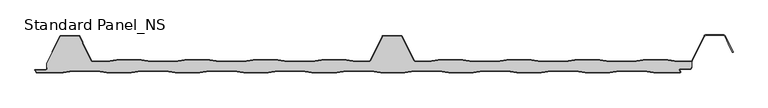
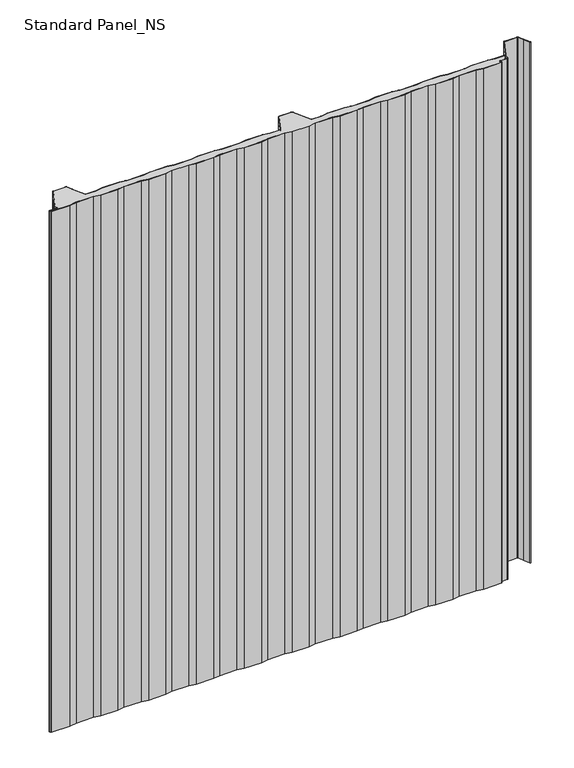
"""IFC4 building model written with IfcOpenShell, lengths in millimetres: proxy geometry, Standard Panel_NS."""

from ifc_helpers import new_model, si_unit, point, frame, frame_2d, origin, origin_with_axes, place, context, project, spatial, polyline, circle_curve, trimmed, segment, composite_curve, outline, extrude, source, transform, mapped, element, save
from ifc_brep_helpers import plane_surface, cylinder_surface, revolved_surface, advanced_brep


def standard_panel_ns_8ae36996(model_context):
    return source(origin(), model_context, "Body", "SolidModel", [
        advanced_brep(
        [(-464.8660923, 16.7, 1219.2), (-466.9237884, 17.9724364, 1219.2), (-480.4229673, 45.0045421, 1219.2), (-480.6503205, 45.7702853, 1219.2), (-480.840508, 47.4301555, 1219.2), (-485.0802057, 55.9201502, 1219.2), (-486.4221814, 56.75, 1219.2), (-513.5776371, 56.75, 1219.2), (-514.9196128, 55.9201502, 1219.2), (-535.7286766, 14.25, 1219.2), (-535.8382664, 8.130172, 1219.2), (-535.0382664, 8.130172, 1219.2), (-535.0382664, 6.2001721, 1219.2), (-537.2382661, 4.0001723, 1219.2), (-553.5680922, 4.0001723, 1219.2), (-551.4916498, 0.8, 1219.2), (-510.6394764, 0.8, 1219.2), (-495.6394764, 3.3, 1219.2), (-457.5070563, 3.3, 1219.2), (-442.5070563, 0.8, 1219.2), (-404.6394764, 0.8, 1219.2), (-389.6394764, 3.3, 1219.2), (-351.5070563, 3.3, 1219.2), (-336.5070563, 0.8, 1219.2), (-298.6394764, 0.8, 1219.2), (-283.6394764, 3.3, 1219.2), (-245.5070563, 3.3, 1219.2), (-230.5070563, 0.8, 1219.2), (-192.6394764, 0.8, 1219.2), (-177.6394764, 3.3, 1219.2), (-139.5070563, 3.3, 1219.2), (-124.5070563, 0.8, 1219.2), (-86.1394764, 0.8, 1219.2), (-71.1394764, 3.3, 1219.2), (-33.0070563, 3.3, 1219.2), (-18.0070563, 0.8, 1219.2), (19.3605236, 0.8, 1219.2), (34.3605236, 3.3, 1219.2), (72.4929437, 3.3, 1219.2), (87.4929437, 0.8, 1219.2), (125.3605236, 0.8, 1219.2), (140.3605236, 3.3, 1219.2), (178.4929437, 3.3, 1219.2), (193.4929437, 0.8, 1219.2), (231.3605236, 0.8, 1219.2), (246.3605236, 3.3, 1219.2), (284.4929437, 3.3, 1219.2), (299.4929437, 0.8, 1219.2), (337.3605236, 0.8, 1219.2), (352.3605236, 3.3, 1219.2), (390.4929437, 3.3, 1219.2), (405.4929437, 0.8, 1219.2), (446.6010518, 0.8, 1219.2), (444.965675, 3.3204106, 1219.2), (446.4756642, 6.1001721, 1219.2), (462.0617343, 6.1001721, 1219.2), (463.3617336, 7.4001714, 1219.2), (463.3617336, 9.4001722, 1219.2), (464.2, 9.4, 1219.2), (464.2327461, 17.1622719, 1219.2), (462.60413, 16.7, 1219.2), (442.3905918, 16.7, 1219.2), (427.5511987, 19.2, 1219.2), (389.4759874, 19.2, 1219.2), (374.6365943, 16.7, 1219.2), (336.3905918, 16.7, 1219.2), (321.5511987, 19.2, 1219.2), (283.4759874, 19.2, 1219.2), (268.6365943, 16.7, 1219.2), (230.3905918, 16.7, 1219.2), (215.5511987, 19.2, 1219.2), (177.4759874, 19.2, 1219.2), (162.6365943, 16.7, 1219.2), (124.3905918, 16.7, 1219.2), (109.5511987, 19.2, 1219.2), (71.4759874, 19.2, 1219.2), (56.6365943, 16.7, 1219.2), (36.4223629, 16.7, 1219.2), (33.6489464, 18.415023, 1219.2), (14.9197943, 55.9201502, 1219.2), (13.5778186, 56.75, 1219.2), (-13.5776371, 56.75, 1219.2), (-14.9196128, 55.9201502, 1219.2), (-33.648765, 18.415023, 1219.2), (-36.4221814, 16.7, 1219.2), (-56.6364129, 16.7, 1219.2), (-71.4758059, 19.2, 1219.2), (-109.5510173, 19.2, 1219.2), (-124.3904103, 16.7, 1219.2), (-162.6364129, 16.7, 1219.2), (-177.4758059, 19.2, 1219.2), (-215.5510173, 19.2, 1219.2), (-230.3904103, 16.7, 1219.2), (-268.6364129, 16.7, 1219.2), (-283.4758059, 19.2, 1219.2), (-321.5510173, 19.2, 1219.2), (-336.3904103, 16.7, 1219.2), (-374.6364129, 16.7, 1219.2), (-389.4758059, 19.2, 1219.2), (-427.5510173, 19.2, 1219.2), (-442.3904103, 16.7, 1219.2), (-464.8660923, 16.7, 0.0), (-442.3904103, 16.7, 0.0), (-427.5510173, 19.2, 0.0), (-389.4758059, 19.2, 0.0), (-374.6364129, 16.7, 0.0), (-336.3904103, 16.7, 0.0), (-321.5510173, 19.2, 0.0), (-283.4758059, 19.2, 0.0), (-268.6364129, 16.7, 0.0), (-230.3904103, 16.7, 0.0), (-215.5510173, 19.2, 0.0), (-177.4758059, 19.2, 0.0), (-162.6364129, 16.7, 0.0), (-124.3904103, 16.7, 0.0), (-109.5510173, 19.2, 0.0), (-71.4758059, 19.2, 0.0), (-56.6364129, 16.7, 0.0), (-36.4221814, 16.7, 0.0), (-33.648765, 18.415023, 0.0), (-14.9196128, 55.9201502, 0.0), (-13.5776371, 56.75, 0.0), (13.5778186, 56.75, 0.0), (14.9197943, 55.9201502, 0.0), (33.6489464, 18.415023, 0.0), (36.4223629, 16.7, 0.0), (56.6365943, 16.7, 0.0), (71.4759874, 19.2, 0.0), (109.5511987, 19.2, 0.0), (124.3905918, 16.7, 0.0), (162.6365943, 16.7, 0.0), (177.4759874, 19.2, 0.0), (215.5511987, 19.2, 0.0), (230.3905918, 16.7, 0.0), (268.6365943, 16.7, 0.0), (283.4759874, 19.2, 0.0), (321.5511987, 19.2, 0.0), (336.3905918, 16.7, 0.0), (374.6365943, 16.7, 0.0), (389.4759874, 19.2, 0.0), (427.5511987, 19.2, 0.0), (442.3905918, 16.7, 0.0), (462.60413, 16.7, 0.0), (464.2327461, 17.1622719, 0.0), (464.2, 9.4, 0.0), (463.3617336, 9.4, 0.0), (463.3617336, 7.4001714, 0.0), (462.0617343, 6.1001721, 0.0), (446.4756642, 6.1001721, 0.0), (444.965675, 3.3204106, 0.0), (446.6010518, 0.8, 0.0), (405.4929437, 0.8, 0.0), (390.4929437, 3.3, 0.0), (352.3605236, 3.3, 0.0), (337.3605236, 0.8, 0.0), (299.4929437, 0.8, 0.0), (284.4929437, 3.3, 0.0), (246.3605236, 3.3, 0.0), (231.3605236, 0.8, 0.0), (193.4929437, 0.8, 0.0), (178.4929437, 3.3, 0.0), (140.3605236, 3.3, 0.0), (125.3605236, 0.8, 0.0), (87.4929437, 0.8, 0.0), (72.4929437, 3.3, 0.0), (34.3605236, 3.3, 0.0), (19.3605236, 0.8, 0.0), (-18.0070563, 0.8, 0.0), (-33.0070563, 3.3, 0.0), (-71.1394764, 3.3, 0.0), (-86.1394764, 0.8, 0.0), (-124.5070563, 0.8, 0.0), (-139.5070563, 3.3, 0.0), (-177.6394764, 3.3, 0.0), (-192.6394764, 0.8, 0.0), (-230.5070563, 0.8, 0.0), (-245.5070563, 3.3, 0.0), (-283.6394764, 3.3, 0.0), (-298.6394764, 0.8, 0.0), (-336.5070563, 0.8, 0.0), (-351.5070563, 3.3, 0.0), (-389.6394764, 3.3, 0.0), (-404.6394764, 0.8, 0.0), (-442.5070563, 0.8, 0.0), (-457.5070563, 3.3, 0.0), (-495.6394764, 3.3, 0.0), (-510.6394764, 0.8, 0.0), (-551.4916498, 0.8, 0.0), (-553.5680922, 4.0001723, 0.0), (-537.2382661, 4.0001723, 0.0), (-535.0382664, 6.2001721, 0.0), (-535.0382664, 8.130172, 0.0), (-535.8382664, 8.130172, 0.0), (-535.7998185, 14.25, 0.0), (-514.9196128, 55.9201502, 0.0), (-513.5776371, 56.75, 0.0), (-486.4221814, 56.75, 0.0), (-485.0802057, 55.9201502, 0.0), (-480.840508, 47.4301555, 0.0), (-480.6503205, 45.7702853, 0.0), (-480.4229673, 45.0045421, 0.0), (-466.9237884, 17.9724364, 0.0)],
        [
            (0, 1, circle_curve(frame((-464.8660923, 19.0, 1219.2), z_axis=(0.0, 0.0, -1.0), x_axis=(-1.0, 0.0, 0.0)), 2.3)),
            (1, 2),
            (2, 3, circle_curve(frame((-478.3652712, 46.0321057, 1219.2), z_axis=(0.0, 0.0, -1.0), x_axis=(-1.0, 0.0, 0.0)), 2.3)),
            (3, 4),
            (4, 5),
            (5, 6, circle_curve(frame((-486.4221814, 55.25, 1219.2), z_axis=(0.0, 0.0, 1.0), x_axis=(-1.0, 0.0, 0.0)), 1.5)),
            (6, 7),
            (7, 8, circle_curve(frame((-513.5776371, 55.25, 1219.2), z_axis=(0.0, 0.0, 1.0), x_axis=(-1.0, 0.0, 0.0)), 1.5)),
            (8, 9),
            (9, 10),
            (10, 11),
            (11, 12),
            (12, 13, circle_curve(frame((-537.2382661, 6.2001721, 1219.2), z_axis=(0.0, 0.0, -1.0), x_axis=(-1.0, 0.0, 0.0)), 2.1999997)),
            (13, 14),
            (14, 15),
            (15, 16),
            (16, 17),
            (17, 18),
            (18, 19),
            (19, 20),
            (20, 21),
            (21, 22),
            (22, 23),
            (23, 24),
            (24, 25),
            (25, 26),
            (26, 27),
            (27, 28),
            (28, 29),
            (29, 30),
            (30, 31),
            (31, 32),
            (32, 33),
            (33, 34),
            (34, 35),
            (35, 36),
            (36, 37),
            (37, 38),
            (38, 39),
            (39, 40),
            (40, 41),
            (41, 42),
            (42, 43),
            (43, 44),
            (44, 45),
            (45, 46),
            (46, 47),
            (47, 48),
            (48, 49),
            (49, 50),
            (50, 51),
            (51, 52),
            (52, 53),
            (53, 54, circle_curve(frame((446.4756642, 4.3001721, 1219.2), z_axis=(0.0, 0.0, -1.0), x_axis=(-1.0, 0.0, 0.0)), 1.8)),
            (54, 55),
            (55, 56, circle_curve(frame((462.0617343, 7.4001714, 1219.2), z_axis=(0.0, 0.0, 1.0), x_axis=(-1.0, 0.0, 0.0)), 1.2999993)),
            (56, 57),
            (57, 58),
            (58, 59),
            (59, 60, circle_curve(frame((462.60413, 19.8, 1219.2), z_axis=(0.0, 0.0, -1.0), x_axis=(-1.0, 0.0, 0.0)), 3.1)),
            (60, 61),
            (61, 62),
            (62, 63),
            (63, 64),
            (64, 65),
            (65, 66),
            (66, 67),
            (67, 68),
            (68, 69),
            (69, 70),
            (70, 71),
            (71, 72),
            (72, 73),
            (73, 74),
            (74, 75),
            (75, 76),
            (76, 77),
            (77, 78, circle_curve(frame((36.4223629, 19.8, 1219.2), z_axis=(0.0, 0.0, -1.0), x_axis=(-1.0, 0.0, 0.0)), 3.1)),
            (78, 79),
            (79, 80, circle_curve(frame((13.5778186, 55.25, 1219.2), z_axis=(0.0, 0.0, 1.0), x_axis=(-1.0, 0.0, 0.0)), 1.5)),
            (80, 81),
            (81, 82, circle_curve(frame((-13.5776371, 55.25, 1219.2), z_axis=(0.0, 0.0, 1.0), x_axis=(-1.0, 0.0, 0.0)), 1.5)),
            (82, 83),
            (83, 84, circle_curve(frame((-36.4221814, 19.8, 1219.2), z_axis=(0.0, 0.0, -1.0), x_axis=(-1.0, 0.0, 0.0)), 3.1)),
            (84, 85),
            (85, 86),
            (86, 87),
            (87, 88),
            (88, 89),
            (89, 90),
            (90, 91),
            (91, 92),
            (92, 93),
            (93, 94),
            (94, 95),
            (95, 96),
            (96, 97),
            (97, 98),
            (98, 99),
            (99, 100),
            (100, 0),
            (101, 102),
            (102, 103),
            (103, 104),
            (104, 105),
            (105, 106),
            (106, 107),
            (107, 108),
            (108, 109),
            (109, 110),
            (110, 111),
            (111, 112),
            (112, 113),
            (113, 114),
            (114, 115),
            (115, 116),
            (116, 117),
            (117, 118),
            (118, 119, circle_curve(frame((-36.4221814, 19.8, 0.0), z_axis=(0.0, 0.0, 1.0), x_axis=(-1.0, 0.0, 0.0)), 3.1)),
            (119, 120),
            (120, 121, circle_curve(frame((-13.5776371, 55.25, 0.0), z_axis=(0.0, 0.0, -1.0), x_axis=(-1.0, 0.0, 0.0)), 1.5)),
            (121, 122),
            (122, 123, circle_curve(frame((13.5778186, 55.25, 0.0), z_axis=(0.0, 0.0, -1.0), x_axis=(-1.0, 0.0, 0.0)), 1.5)),
            (123, 124),
            (124, 125, circle_curve(frame((36.4223629, 19.8, 0.0), z_axis=(0.0, 0.0, 1.0), x_axis=(-1.0, 0.0, 0.0)), 3.1)),
            (125, 126),
            (126, 127),
            (127, 128),
            (128, 129),
            (129, 130),
            (130, 131),
            (131, 132),
            (132, 133),
            (133, 134),
            (134, 135),
            (135, 136),
            (136, 137),
            (137, 138),
            (138, 139),
            (139, 140),
            (140, 141),
            (141, 142),
            (142, 143, circle_curve(frame((462.60413, 19.8, 0.0), z_axis=(0.0, 0.0, 1.0), x_axis=(-1.0, 0.0, 0.0)), 3.1)),
            (143, 144),
            (144, 145),
            (145, 146),
            (146, 147, circle_curve(frame((462.0617343, 7.4001714, 0.0), z_axis=(0.0, 0.0, -1.0), x_axis=(-1.0, 0.0, 0.0)), 1.2999993)),
            (147, 148),
            (148, 149, circle_curve(frame((446.4756642, 4.3001721, 0.0), z_axis=(0.0, 0.0, 1.0), x_axis=(-1.0, 0.0, 0.0)), 1.8)),
            (149, 150),
            (150, 151),
            (151, 152),
            (152, 153),
            (153, 154),
            (154, 155),
            (155, 156),
            (156, 157),
            (157, 158),
            (158, 159),
            (159, 160),
            (160, 161),
            (161, 162),
            (162, 163),
            (163, 164),
            (164, 165),
            (165, 166),
            (166, 167),
            (167, 168),
            (168, 169),
            (169, 170),
            (170, 171),
            (171, 172),
            (172, 173),
            (173, 174),
            (174, 175),
            (175, 176),
            (176, 177),
            (177, 178),
            (178, 179),
            (179, 180),
            (180, 181),
            (181, 182),
            (182, 183),
            (183, 184),
            (184, 185),
            (185, 186),
            (186, 187),
            (187, 188),
            (188, 189),
            (189, 190, circle_curve(frame((-537.2382661, 6.2001721, 0.0), z_axis=(0.0, 0.0, 1.0), x_axis=(-1.0, 0.0, 0.0)), 2.1999997)),
            (190, 191),
            (191, 192),
            (192, 193),
            (193, 194),
            (194, 195, circle_curve(frame((-513.5776371, 55.25, 0.0), z_axis=(0.0, 0.0, -1.0), x_axis=(-1.0, 0.0, 0.0)), 1.5)),
            (195, 196),
            (196, 197, circle_curve(frame((-486.4221814, 55.25, 0.0), z_axis=(0.0, 0.0, -1.0), x_axis=(-1.0, 0.0, 0.0)), 1.5)),
            (197, 198),
            (198, 199),
            (199, 200, circle_curve(frame((-478.3652712, 46.0321057, 0.0), z_axis=(0.0, 0.0, 1.0), x_axis=(-1.0, 0.0, 0.0)), 2.3)),
            (200, 201),
            (201, 101, circle_curve(frame((-464.8660923, 19.0, 0.0), z_axis=(0.0, 0.0, 1.0), x_axis=(-1.0, 0.0, 0.0)), 2.3)),
            (0, 101),
            (201, 1),
            (200, 2),
            (199, 3),
            (198, 4),
            (197, 5),
            (196, 6),
            (195, 7),
            (194, 8),
            (193, 9),
            (143, 59),
            (58, 144),
            (142, 60),
            (141, 61),
            (140, 62),
            (139, 63),
            (138, 64),
            (137, 65),
            (136, 66),
            (135, 67),
            (134, 68),
            (133, 69),
            (132, 70),
            (131, 71),
            (130, 72),
            (129, 73),
            (128, 74),
            (127, 75),
            (126, 76),
            (125, 77),
            (124, 78),
            (123, 79),
            (122, 80),
            (121, 81),
            (120, 82),
            (119, 83),
            (118, 84),
            (117, 85),
            (116, 86),
            (115, 87),
            (114, 88),
            (113, 89),
            (112, 90),
            (111, 91),
            (110, 92),
            (109, 93),
            (108, 94),
            (107, 95),
            (106, 96),
            (105, 97),
            (104, 98),
            (103, 99),
            (102, 100),
            (57, 145),
            (192, 10),
            (12, 190),
            (189, 13),
            (188, 14),
            (187, 15),
            (186, 16),
            (185, 17),
            (184, 18),
            (183, 19),
            (182, 20),
            (181, 21),
            (180, 22),
            (179, 23),
            (178, 24),
            (177, 25),
            (176, 26),
            (175, 27),
            (174, 28),
            (173, 29),
            (172, 30),
            (171, 31),
            (170, 32),
            (169, 33),
            (168, 34),
            (167, 35),
            (166, 36),
            (165, 37),
            (164, 38),
            (163, 39),
            (162, 40),
            (161, 41),
            (160, 42),
            (159, 43),
            (158, 44),
            (157, 45),
            (156, 46),
            (155, 47),
            (154, 48),
            (153, 49),
            (152, 50),
            (151, 51),
            (150, 52),
            (149, 53),
            (148, 54),
            (147, 55),
            (146, 56),
            (191, 11),
        ],
        [
            plane_surface(frame((9.07e-05, 19.2, 1219.2), z_axis=(0.0, 0.0, 1.0), x_axis=(0.0, 1.0, 0.0))),
            plane_surface(frame((9.07e-05, 19.2, 0.0), z_axis=(0.0, 0.0, -1.0), x_axis=(0.0, 1.0, 0.0))),
            revolved_surface(polyline([(-467.1660923, 19.0, 0.0), (-467.1660923, 19.0, 1219.2)]), (-464.8660923, 19.0, 1219.2), (0.0, 0.0, -1.0)),
            plane_surface(frame((-466.9237884, 17.9724364, 1219.2), z_axis=(0.8946504628058127, 0.44676677293789996, 0.0), x_axis=(0.0, 0.0, -1.0))),
            revolved_surface(polyline([(-480.6652712, 46.0321057, 0.0), (-480.6652712, 46.0321057, 1219.2)]), (-478.3652712, 46.0321057, 1219.2), (0.0, 0.0, -1.0)),
            plane_surface(frame((-480.6503205, 45.7702853, 1219.2), z_axis=(0.9934996737929253, 0.113834960242235, 0.0), x_axis=(0.0, 0.0, -1.0))),
            plane_surface(frame((-480.840508, 47.4301555, 1219.2), z_axis=(0.8946504628055771, 0.44676677293837186, 0.0), x_axis=(0.0, 0.0, -1.0))),
            cylinder_surface(frame((-486.4221814, 55.25, 1219.2), z_axis=(0.0, 0.0, 1.0), x_axis=(-1.0, 0.0, 0.0)), 1.5),
            plane_surface(frame((-486.4221814, 56.75, 1219.2), z_axis=(0.0, 1.0, 0.0), x_axis=(0.0, 0.0, -1.0))),
            cylinder_surface(frame((-513.5776371, 55.25, 1219.2), z_axis=(0.0, 0.0, 1.0), x_axis=(-1.0, 0.0, 0.0)), 1.5),
            plane_surface(frame((-514.9196128, 55.9201502, 1219.2), z_axis=(-0.8946504628064579, 0.44676677293660805, 0.0), x_axis=(0.0, 0.0, -1.0))),
            plane_surface(frame((464.2327461, 14.25, 1219.2), z_axis=(1.0, 0.0, 0.0), x_axis=(0.0, 0.0, -1.0))),
            revolved_surface(polyline([(459.50413, 19.8, 0.0), (459.50413, 19.8, 1219.2)]), (462.60413, 19.8, 1219.2), (0.0, 0.0, -1.0)),
            plane_surface(frame((462.60413, 16.7, 1219.2), z_axis=(0.0, 1.0, 0.0), x_axis=(0.0, 0.0, -1.0))),
            plane_surface(frame((442.3905918, 16.7, 1219.2), z_axis=(0.16612942863435848, 0.9861039564577467, 0.0), x_axis=(0.0, 0.0, -1.0))),
            plane_surface(frame((427.5511987, 19.2, 1219.2), z_axis=(0.0, 1.0, 0.0), x_axis=(0.0, 0.0, -1.0))),
            plane_surface(frame((389.4759874, 19.2, 1219.2), z_axis=(-0.16612942863454067, 0.9861039564577161, 0.0), x_axis=(0.0, 0.0, -1.0))),
            plane_surface(frame((374.6365943, 16.7, 1219.2), z_axis=(0.0, 1.0, 0.0), x_axis=(0.0, 0.0, -1.0))),
            plane_surface(frame((336.3905918, 16.7, 1219.2), z_axis=(0.1661294286345235, 0.986103956457719, 0.0), x_axis=(0.0, 0.0, -1.0))),
            plane_surface(frame((321.5511987, 19.2, 1219.2), z_axis=(0.0, 1.0, 0.0), x_axis=(0.0, 0.0, -1.0))),
            plane_surface(frame((283.4759874, 19.2, 1219.2), z_axis=(-0.16612942863454067, 0.9861039564577161, 0.0), x_axis=(0.0, 0.0, -1.0))),
            plane_surface(frame((268.6365943, 16.7, 1219.2), z_axis=(0.0, 1.0, 0.0), x_axis=(0.0, 0.0, -1.0))),
            plane_surface(frame((230.3905918, 16.7, 1219.2), z_axis=(0.16612942863435848, 0.9861039564577467, 0.0), x_axis=(0.0, 0.0, -1.0))),
            plane_surface(frame((215.5511987, 19.2, 1219.2), z_axis=(0.0, 1.0, 0.0), x_axis=(0.0, 0.0, -1.0))),
            plane_surface(frame((177.4759874, 19.2, 1219.2), z_axis=(-0.16612942863472926, 0.9861039564576843, 0.0), x_axis=(0.0, 0.0, -1.0))),
            plane_surface(frame((162.6365943, 16.7, 1219.2), z_axis=(0.0, 1.0, 0.0), x_axis=(0.0, 0.0, -1.0))),
            plane_surface(frame((124.3905918, 16.7, 1219.2), z_axis=(0.1661294286345235, 0.986103956457719, 0.0), x_axis=(0.0, 0.0, -1.0))),
            plane_surface(frame((109.5511987, 19.2, 1219.2), z_axis=(0.0, 1.0, 0.0), x_axis=(0.0, 0.0, -1.0))),
            plane_surface(frame((71.4759874, 19.2, 1219.2), z_axis=(-0.16612942863435204, 0.9861039564577478, 0.0), x_axis=(0.0, 0.0, -1.0))),
            plane_surface(frame((56.6365943, 16.7, 1219.2), z_axis=(0.0, 1.0, 0.0), x_axis=(0.0, 0.0, -1.0))),
            revolved_surface(polyline([(33.3223629, 19.8, 0.0), (33.3223629, 19.8, 1219.2)]), (36.4223629, 19.8, 1219.2), (0.0, 0.0, -1.0)),
            plane_surface(frame((33.6489464, 18.415023, 1219.2), z_axis=(0.8946504628060804, 0.44676677293736405, 0.0), x_axis=(0.0, 0.0, -1.0))),
            cylinder_surface(frame((13.5778186, 55.25, 1219.2), z_axis=(0.0, 0.0, 1.0), x_axis=(-1.0, 0.0, 0.0)), 1.5),
            plane_surface(frame((13.5778186, 56.75, 1219.2), z_axis=(0.0, 1.0, 0.0), x_axis=(0.0, 0.0, -1.0))),
            cylinder_surface(frame((-13.5776371, 55.25, 1219.2), z_axis=(0.0, 0.0, 1.0), x_axis=(-1.0, 0.0, 0.0)), 1.5),
            plane_surface(frame((-14.9196128, 55.9201502, 1219.2), z_axis=(-0.8946504628059846, 0.4467667729375559, 0.0), x_axis=(0.0, 0.0, -1.0))),
            revolved_surface(polyline([(-39.5221814, 19.8, 0.0), (-39.5221814, 19.8, 1219.2)]), (-36.4221814, 19.8, 1219.2), (0.0, 0.0, -1.0)),
            plane_surface(frame((-36.4221814, 16.7, 1219.2), z_axis=(0.0, 1.0, 0.0), x_axis=(0.0, 0.0, -1.0))),
            plane_surface(frame((-56.6364129, 16.7, 1219.2), z_axis=(0.16612942863461477, 0.9861039564577035, 0.0), x_axis=(0.0, 0.0, -1.0))),
            plane_surface(frame((-71.4758059, 19.2, 1219.2), z_axis=(0.0, 1.0, 0.0), x_axis=(0.0, 0.0, -1.0))),
            plane_surface(frame((-109.5510173, 19.2, 1219.2), z_axis=(-0.16612942863482053, 0.9861039564576689, 0.0), x_axis=(0.0, 0.0, -1.0))),
            plane_surface(frame((-124.3904103, 16.7, 1219.2), z_axis=(0.0, 1.0, 0.0), x_axis=(0.0, 0.0, -1.0))),
            plane_surface(frame((-162.6364129, 16.7, 1219.2), z_axis=(0.16612942863457067, 0.986103956457711, 0.0), x_axis=(0.0, 0.0, -1.0))),
            plane_surface(frame((-177.4758059, 19.2, 1219.2), z_axis=(0.0, 1.0, 0.0), x_axis=(0.0, 0.0, -1.0))),
            plane_surface(frame((-215.5510173, 19.2, 1219.2), z_axis=(-0.16612942863435204, 0.9861039564577478, 0.0), x_axis=(0.0, 0.0, -1.0))),
            plane_surface(frame((-230.3904103, 16.7, 1219.2), z_axis=(0.0, 1.0, 0.0), x_axis=(0.0, 0.0, -1.0))),
            plane_surface(frame((-268.6364129, 16.7, 1219.2), z_axis=(0.1661294286345471, 0.986103956457715, 0.0), x_axis=(0.0, 0.0, -1.0))),
            plane_surface(frame((-283.4758059, 19.2, 1219.2), z_axis=(0.0, 1.0, 0.0), x_axis=(0.0, 0.0, -1.0))),
            plane_surface(frame((-321.5510173, 19.2, 1219.2), z_axis=(-0.16612942863454067, 0.9861039564577161, 0.0), x_axis=(0.0, 0.0, -1.0))),
            plane_surface(frame((-336.3904103, 16.7, 1219.2), z_axis=(0.0, 1.0, 0.0), x_axis=(0.0, 0.0, -1.0))),
            plane_surface(frame((-374.6364129, 16.7, 1219.2), z_axis=(0.1661294286345471, 0.986103956457715, 0.0), x_axis=(0.0, 0.0, -1.0))),
            plane_surface(frame((-389.4758059, 19.2, 1219.2), z_axis=(0.0, 1.0, 0.0), x_axis=(0.0, 0.0, -1.0))),
            plane_surface(frame((-427.5510173, 19.2, 1219.2), z_axis=(-0.16612942863472926, 0.9861039564576843, 0.0), x_axis=(0.0, 0.0, -1.0))),
            plane_surface(frame((-442.3904103, 16.7, 1219.2), z_axis=(0.0, 1.0, 0.0), x_axis=(0.0, 0.0, -1.0))),
            plane_surface(frame((-535.7998185, 9.4, 1219.2), z_axis=(0.0, -1.0, 0.0), x_axis=(0.0, 0.0, -1.0))),
            plane_surface(frame((-535.7998185, 14.25, 1219.2), z_axis=(-1.0, 0.0, 0.0), x_axis=(0.0, 0.0, -1.0))),
            revolved_surface(polyline([(-539.4382658000001, 6.2001721, 0.0), (-539.4382658000001, 6.2001721, 1219.2)]), (-537.2382661, 6.2001721, 1219.2), (0.0, 0.0, -1.0)),
            plane_surface(frame((-537.2382661, 4.0001723, 1219.2), z_axis=(0.0, 1.0, 0.0), x_axis=(0.0, 0.0, -1.0))),
            plane_surface(frame((-553.5680922, 4.0001723, 1219.2), z_axis=(-0.8388828900560089, -0.5443119480328152, 0.0), x_axis=(0.0, 0.0, -1.0))),
            plane_surface(frame((-551.4916498, 0.8, 1219.2), z_axis=(0.0, -1.0, 0.0), x_axis=(0.0, 0.0, -1.0))),
            plane_surface(frame((-510.6394764, 0.8, 1219.2), z_axis=(0.16439898730529637, -0.986393923832154, 0.0), x_axis=(0.0, 0.0, -1.0))),
            plane_surface(frame((-495.6394764, 3.3, 1219.2), z_axis=(0.0, -1.0, 0.0), x_axis=(0.0, 0.0, -1.0))),
            plane_surface(frame((-457.5070563, 3.3, 1219.2), z_axis=(-0.1643989873053497, -0.9863939238321451, 0.0), x_axis=(0.0, 0.0, -1.0))),
            plane_surface(frame((-442.5070563, 0.8, 1219.2), z_axis=(0.0, -1.0, 0.0), x_axis=(0.0, 0.0, -1.0))),
            plane_surface(frame((-404.6394764, 0.8, 1219.2), z_axis=(0.16439898730534544, -0.9863939238321457, 0.0), x_axis=(0.0, 0.0, -1.0))),
            plane_surface(frame((-389.6394764, 3.3, 1219.2), z_axis=(0.0, -1.0, 0.0), x_axis=(0.0, 0.0, -1.0))),
            plane_surface(frame((-351.5070563, 3.3, 1219.2), z_axis=(-0.16439898730537528, -0.9863939238321408, 0.0), x_axis=(0.0, 0.0, -1.0))),
            plane_surface(frame((-336.5070563, 0.8, 1219.2), z_axis=(0.0, -1.0, 0.0), x_axis=(0.0, 0.0, -1.0))),
            plane_surface(frame((-298.6394764, 0.8, 1219.2), z_axis=(0.16439898730518882, -0.9863939238321718, 0.0), x_axis=(0.0, 0.0, -1.0))),
            plane_surface(frame((-283.6394764, 3.3, 1219.2), z_axis=(0.0, -1.0, 0.0), x_axis=(0.0, 0.0, -1.0))),
            plane_surface(frame((-245.5070563, 3.3, 1219.2), z_axis=(-0.16439898730526595, -0.986393923832159, 0.0), x_axis=(0.0, 0.0, -1.0))),
            plane_surface(frame((-230.5070563, 0.8, 1219.2), z_axis=(0.0, -1.0, 0.0), x_axis=(0.0, 0.0, -1.0))),
            plane_surface(frame((-192.6394764, 0.8, 1219.2), z_axis=(0.1643989873054454, -0.9863939238321291, 0.0), x_axis=(0.0, 0.0, -1.0))),
            plane_surface(frame((-177.6394764, 3.3, 1219.2), z_axis=(0.0, -1.0, 0.0), x_axis=(0.0, 0.0, -1.0))),
            plane_surface(frame((-139.5070563, 3.3, 1219.2), z_axis=(-0.16439898730351146, -0.9863939238324514, 0.0), x_axis=(0.0, 0.0, -1.0))),
            plane_surface(frame((-124.5070563, 0.8, 1219.2), z_axis=(0.0, -1.0, 0.0), x_axis=(0.0, 0.0, -1.0))),
            plane_surface(frame((-86.1394764, 0.8, 1219.2), z_axis=(0.16439898730531116, -0.9863939238321515, 0.0), x_axis=(0.0, 0.0, -1.0))),
            plane_surface(frame((-71.1394764, 3.3, 1219.2), z_axis=(0.0, -1.0, 0.0), x_axis=(0.0, 0.0, -1.0))),
            plane_surface(frame((-33.0070563, 3.3, 1219.2), z_axis=(-0.1643989873007139, -0.9863939238329177, 0.0), x_axis=(0.0, 0.0, -1.0))),
            plane_surface(frame((-18.0070563, 0.8, 1219.2), z_axis=(0.0, -1.0, 0.0), x_axis=(0.0, 0.0, -1.0))),
            plane_surface(frame((19.3605236, 0.8, 1219.2), z_axis=(0.16439898730276062, -0.9863939238325765, 0.0), x_axis=(0.0, 0.0, -1.0))),
            plane_surface(frame((34.3605236, 3.3, 1219.2), z_axis=(0.0, -1.0, 0.0), x_axis=(0.0, 0.0, -1.0))),
            plane_surface(frame((72.4929437, 3.3, 1219.2), z_axis=(-0.1643989873053467, -0.9863939238321456, 0.0), x_axis=(0.0, 0.0, -1.0))),
            plane_surface(frame((87.4929437, 0.8, 1219.2), z_axis=(0.0, -1.0, 0.0), x_axis=(0.0, 0.0, -1.0))),
            plane_surface(frame((125.3605236, 0.8, 1219.2), z_axis=(0.1643989873053679, -0.9863939238321421, 0.0), x_axis=(0.0, 0.0, -1.0))),
            plane_surface(frame((140.3605236, 3.3, 1219.2), z_axis=(0.0, -1.0, 0.0), x_axis=(0.0, 0.0, -1.0))),
            plane_surface(frame((178.4929437, 3.3, 1219.2), z_axis=(-0.1643989873053467, -0.9863939238321456, 0.0), x_axis=(0.0, 0.0, -1.0))),
            plane_surface(frame((193.4929437, 0.8, 1219.2), z_axis=(0.0, -1.0, 0.0), x_axis=(0.0, 0.0, -1.0))),
            plane_surface(frame((231.3605236, 0.8, 1219.2), z_axis=(0.16439898730518315, -0.9863939238321728, 0.0), x_axis=(0.0, 0.0, -1.0))),
            plane_surface(frame((246.3605236, 3.3, 1219.2), z_axis=(0.0, -1.0, 0.0), x_axis=(0.0, 0.0, -1.0))),
            plane_surface(frame((284.4929437, 3.3, 1219.2), z_axis=(-0.1643989873053467, -0.9863939238321456, 0.0), x_axis=(0.0, 0.0, -1.0))),
            plane_surface(frame((299.4929437, 0.8, 1219.2), z_axis=(0.0, -1.0, 0.0), x_axis=(0.0, 0.0, -1.0))),
            plane_surface(frame((337.3605236, 0.8, 1219.2), z_axis=(0.1643989873053679, -0.9863939238321421, 0.0), x_axis=(0.0, 0.0, -1.0))),
            plane_surface(frame((352.3605236, 3.3, 1219.2), z_axis=(0.0, -1.0, 0.0), x_axis=(0.0, 0.0, -1.0))),
            plane_surface(frame((390.4929437, 3.3, 1219.2), z_axis=(-0.16439898730516195, -0.9863939238321764, 0.0), x_axis=(0.0, 0.0, -1.0))),
            plane_surface(frame((405.4929437, 0.8, 1219.2), z_axis=(0.0, -1.0, 0.0), x_axis=(0.0, 0.0, -1.0))),
            plane_surface(frame((446.6010518, 0.8, 1219.2), z_axis=(0.8388828900539764, 0.5443119480359477, 0.0), x_axis=(0.0, 0.0, -1.0))),
            revolved_surface(polyline([(444.67566419999997, 4.3001721, 0.0), (444.67566419999997, 4.3001721, 1219.2)]), (446.4756642, 4.3001721, 1219.2), (0.0, 0.0, -1.0)),
            plane_surface(frame((446.4756642, 6.1001721, 1219.2), z_axis=(0.0, -1.0, 0.0), x_axis=(0.0, 0.0, -1.0))),
            cylinder_surface(frame((462.0617343, 7.4001714, 1219.2), z_axis=(0.0, 0.0, 1.0), x_axis=(-1.0, 0.0, 0.0)), 1.2999993),
            plane_surface(frame((463.3617336, 7.4001714, 1219.2), z_axis=(1.0, 0.0, 0.0), x_axis=(0.0, 0.0, -1.0))),
            plane_surface(frame((-535.8382664, 8.130172, 1219.2), z_axis=(0.0, -1.0, 0.0), x_axis=(0.0, 0.0, -1.0))),
            plane_surface(frame((-535.0382664, 8.130172, 1219.2), z_axis=(-1.0, 0.0, 0.0), x_axis=(0.0, 0.0, -1.0))),
        ],
        [
            (0, [[1, 2, 3, 4, 5, 6, 7, 8, 9, 10, 11, 12, 13, 14, 15, 16, 17, 18, 19, 20, 21, 22, 23, 24, 25, 26, 27, 28, 29, 30, 31, 32, 33, 34, 35, 36, 37, 38, 39, 40, 41, 42, 43, 44, 45, 46, 47, 48, 49, 50, 51, 52, 53, 54, 55, 56, 57, 58, 59, 60, 61, 62, 63, 64, 65, 66, 67, 68, 69, 70, 71, 72, 73, 74, 75, 76, 77, 78, 79, 80, 81, 82, 83, 84, 85, 86, 87, 88, 89, 90, 91, 92, 93, 94, 95, 96, 97, 98, 99, 100, 101]]),
            (1, [[102, 103, 104, 105, 106, 107, 108, 109, 110, 111, 112, 113, 114, 115, 116, 117, 118, 119, 120, 121, 122, 123, 124, 125, 126, 127, 128, 129, 130, 131, 132, 133, 134, 135, 136, 137, 138, 139, 140, 141, 142, 143, 144, 145, 146, 147, 148, 149, 150, 151, 152, 153, 154, 155, 156, 157, 158, 159, 160, 161, 162, 163, 164, 165, 166, 167, 168, 169, 170, 171, 172, 173, 174, 175, 176, 177, 178, 179, 180, 181, 182, 183, 184, 185, 186, 187, 188, 189, 190, 191, 192, 193, 194, 195, 196, 197, 198, 199, 200, 201, 202]]),
            (2, [[-1, 203, -202, 204]]),
            (3, [[-2, -204, -201, 205]]),
            (4, [[-3, -205, -200, 206]]),
            (5, [[-4, -206, -199, 207]]),
            (6, [[-5, -207, -198, 208]]),
            (7, [[-6, -208, -197, 209]]),
            (8, [[-7, -209, -196, 210]]),
            (9, [[-8, -210, -195, 211]]),
            (10, [[-9, -211, -194, 212]]),
            (11, [[213, -59, 214, -144]]),
            (12, [[-60, -213, -143, 215]]),
            (13, [[-61, -215, -142, 216]]),
            (14, [[-62, -216, -141, 217]]),
            (15, [[-63, -217, -140, 218]]),
            (16, [[-64, -218, -139, 219]]),
            (17, [[-65, -219, -138, 220]]),
            (18, [[-66, -220, -137, 221]]),
            (19, [[-67, -221, -136, 222]]),
            (20, [[-68, -222, -135, 223]]),
            (21, [[-69, -223, -134, 224]]),
            (22, [[-70, -224, -133, 225]]),
            (23, [[-71, -225, -132, 226]]),
            (24, [[-72, -226, -131, 227]]),
            (25, [[-73, -227, -130, 228]]),
            (26, [[-74, -228, -129, 229]]),
            (27, [[-75, -229, -128, 230]]),
            (28, [[-76, -230, -127, 231]]),
            (29, [[-77, -231, -126, 232]]),
            (30, [[-78, -232, -125, 233]]),
            (31, [[-79, -233, -124, 234]]),
            (32, [[-80, -234, -123, 235]]),
            (33, [[-81, -235, -122, 236]]),
            (34, [[-82, -236, -121, 237]]),
            (35, [[-83, -237, -120, 238]]),
            (36, [[-84, -238, -119, 239]]),
            (37, [[-85, -239, -118, 240]]),
            (38, [[-86, -240, -117, 241]]),
            (39, [[-87, -241, -116, 242]]),
            (40, [[-88, -242, -115, 243]]),
            (41, [[-89, -243, -114, 244]]),
            (42, [[-90, -244, -113, 245]]),
            (43, [[-91, -245, -112, 246]]),
            (44, [[-92, -246, -111, 247]]),
            (45, [[-93, -247, -110, 248]]),
            (46, [[-94, -248, -109, 249]]),
            (47, [[-95, -249, -108, 250]]),
            (48, [[-96, -250, -107, 251]]),
            (49, [[-97, -251, -106, 252]]),
            (50, [[-98, -252, -105, 253]]),
            (51, [[-99, -253, -104, 254]]),
            (52, [[-100, -254, -103, 255]]),
            (53, [[-101, -255, -102, -203]]),
            (54, [[-214, -58, 256, -145]]),
            (55, [[-10, -212, -193, 257]]),
            (56, [[-13, 258, -190, 259]]),
            (57, [[-14, -259, -189, 260]]),
            (58, [[-15, -260, -188, 261]]),
            (59, [[-16, -261, -187, 262]]),
            (60, [[-17, -262, -186, 263]]),
            (61, [[-18, -263, -185, 264]]),
            (62, [[-19, -264, -184, 265]]),
            (63, [[-20, -265, -183, 266]]),
            (64, [[-21, -266, -182, 267]]),
            (65, [[-22, -267, -181, 268]]),
            (66, [[-23, -268, -180, 269]]),
            (67, [[-24, -269, -179, 270]]),
            (68, [[-25, -270, -178, 271]]),
            (69, [[-26, -271, -177, 272]]),
            (70, [[-27, -272, -176, 273]]),
            (71, [[-28, -273, -175, 274]]),
            (72, [[-29, -274, -174, 275]]),
            (73, [[-30, -275, -173, 276]]),
            (74, [[-31, -276, -172, 277]]),
            (75, [[-32, -277, -171, 278]]),
            (76, [[-33, -278, -170, 279]]),
            (77, [[-34, -279, -169, 280]]),
            (78, [[-35, -280, -168, 281]]),
            (79, [[-36, -281, -167, 282]]),
            (80, [[-37, -282, -166, 283]]),
            (81, [[-38, -283, -165, 284]]),
            (82, [[-39, -284, -164, 285]]),
            (83, [[-40, -285, -163, 286]]),
            (84, [[-41, -286, -162, 287]]),
            (85, [[-42, -287, -161, 288]]),
            (86, [[-43, -288, -160, 289]]),
            (87, [[-44, -289, -159, 290]]),
            (88, [[-45, -290, -158, 291]]),
            (89, [[-46, -291, -157, 292]]),
            (90, [[-47, -292, -156, 293]]),
            (91, [[-48, -293, -155, 294]]),
            (92, [[-49, -294, -154, 295]]),
            (93, [[-50, -295, -153, 296]]),
            (94, [[-51, -296, -152, 297]]),
            (95, [[-52, -297, -151, 298]]),
            (96, [[-53, -298, -150, 299]]),
            (97, [[-54, -299, -149, 300]]),
            (98, [[-55, -300, -148, 301]]),
            (99, [[-56, -301, -147, 302]]),
            (100, [[-57, -302, -146, -256]]),
            (101, [[-11, -257, -192, 303]]),
            (102, [[-12, -303, -191, -258]]),
        ],
    ),
        extrude(outline(composite_curve([segment(polyline([(-535.8382664, 6.2001721), (-535.8382664, 8.130172), (-535.0382664, 8.130172), (-535.0382664, 6.2001721)]), True, "CONTINUOUS"), segment(trimmed(circle_curve(frame_2d((-537.2382661, 6.2001721)), 2.1999997), [point((-535.0382664, 6.2001721))], [point((-537.2382661, 4.0001723))], False, "CARTESIAN"), True, "CONTINUOUS"), segment(polyline([(-537.2382661, 4.0001723), (-553.5680922, 4.0001723), (-551.4916498, 0.8), (-510.6394764, 0.8), (-495.6394764, 3.3), (-457.5070563, 3.3), (-442.5070563, 0.8), (-404.6394764, 0.8), (-389.6394764, 3.3), (-351.5070563, 3.3), (-336.5070563, 0.8), (-298.6394764, 0.8), (-283.6394764, 3.3), (-245.5070563, 3.3), (-230.5070563, 0.8), (-192.6394764, 0.8), (-177.6394764, 3.3), (-139.5070563, 3.3), (-124.5070563, 0.8), (-86.1394764, 0.8), (-71.1394764, 3.3), (-33.0070563, 3.3), (-18.0070563, 0.8), (19.3605236, 0.8), (34.3605236, 3.3), (72.4929437, 3.3), (87.4929437, 0.8), (125.3605236, 0.8), (140.3605236, 3.3), (178.4929437, 3.3), (193.4929437, 0.8), (231.3605236, 0.8), (246.3605236, 3.3), (284.4929437, 3.3), (299.4929437, 0.8), (337.3605236, 0.8), (352.3605236, 3.3), (390.4929437, 3.3), (405.4929437, 0.8), (446.6010518, 0.8), (444.965675, 3.3204106)]), True, "CONTINUOUS"), segment(trimmed(circle_curve(frame_2d((446.4756642, 4.3001721)), 1.8), [point((444.965675, 3.3204106))], [point((446.4756642, 6.1001721))], False, "CARTESIAN"), True, "CONTINUOUS"), segment(polyline([(446.4756642, 6.1001721), (462.0617343, 6.1001721)]), True, "CONTINUOUS"), segment(trimmed(circle_curve(frame_2d((462.0617343, 7.4001714)), 1.2999993), [point((462.0617343, 6.1001721))], [point((463.3617336, 7.4001714))], True, "CARTESIAN"), True, "CONTINUOUS"), segment(polyline([(463.3617336, 7.4001714), (463.3617336, 9.4001722), (464.1617336, 9.4001722), (464.1617336, 7.4001714)]), True, "CONTINUOUS"), segment(trimmed(circle_curve(frame_2d((462.0617343, 7.4001714)), 2.0999993), [point((464.1617336, 7.4001714))], [point((462.0617343, 5.3001721))], False, "CARTESIAN"), True, "CONTINUOUS"), segment(polyline([(462.0617343, 5.3001721), (446.4756642, 5.3001721)]), True, "CONTINUOUS"), segment(trimmed(circle_curve(frame_2d((446.4756642, 4.3001721)), 1.0), [point((446.4756642, 5.3001721))], [point((445.6367813, 3.7558601))], True, "CARTESIAN"), True, "CONTINUOUS"), segment(polyline([(445.6367813, 3.7558601), (447.0717517, 1.5443119)]), True, "CONTINUOUS"), segment(trimmed(circle_curve(frame_2d((446.2328688, 1.0)), 1.0), [point((447.0717517, 1.5443119))], [point((446.2328688, 0.0))], False, "CARTESIAN"), True, "CONTINUOUS"), segment(polyline([(446.2328688, 0.0), (405.4267336, 0.0), (390.4267336, 2.5), (352.4267336, 2.5), (337.4267336, 0.0), (299.4267336, 0.0), (284.4267336, 2.5), (246.4267336, 2.5), (231.4267336, 0.0), (193.4267336, 0.0), (178.4267336, 2.5), (140.4267336, 2.5), (125.4267336, 0.0), (87.4267336, 0.0), (72.4267336, 2.5), (34.4267336, 2.5), (19.4267336, 0.0), (-18.0732664, 0.0), (-33.0732664, 2.5), (-71.0732664, 2.5), (-86.0732664, 0.0), (-124.5732664, 0.0), (-139.5732664, 2.5), (-177.5732664, 2.5), (-192.5732664, 0.0), (-230.5732664, 0.0), (-245.5732664, 2.5), (-283.5732664, 2.5), (-298.5732664, 0.0), (-336.5732664, 0.0), (-351.5732664, 2.5), (-389.5732664, 2.5), (-404.5732664, 0.0), (-442.5732664, 0.0), (-457.5732664, 2.5), (-495.5732664, 2.5), (-510.5732664, 0.0), (-551.3830082, 0.0)]), True, "CONTINUOUS"), segment(trimmed(circle_curve(frame_2d((-551.3830082, 1.0)), 1.0), [point((-551.3830082, 0.0))], [point((-552.2218911, 0.4556881))], False, "CARTESIAN"), True, "CONTINUOUS"), segment(polyline([(-552.2218911, 0.4556881), (-554.0387922, 3.2558604)]), True, "CONTINUOUS"), segment(trimmed(circle_curve(frame_2d((-553.1999093, 3.8001723)), 1.0), [point((-554.0387922, 3.2558604))], [point((-553.1999093, 4.8001723))], False, "CARTESIAN"), True, "CONTINUOUS"), segment(polyline([(-553.1999093, 4.8001723), (-537.2382661, 4.8001723)]), True, "CONTINUOUS"), segment(trimmed(circle_curve(frame_2d((-537.2382661, 6.2001721)), 1.3999997), [point((-537.2382661, 4.8001723))], [point((-535.8382664, 6.2001721))], True, "CARTESIAN"), True, "CONTINUOUS")], self_intersect=False)), origin_with_axes(), (0.0, 0.0, 1.0), 1219.2),
        extrude(outline(composite_curve([segment(trimmed(circle_curve(frame_2d((-464.8660923, 19.0)), 2.3), [point((-464.8660923, 16.7))], [point((-466.9237884, 17.9724364))], False, "CARTESIAN"), True, "CONTINUOUS"), segment(polyline([(-466.9237884, 17.9724364), (-480.4229673, 45.0045421)]), True, "CONTINUOUS"), segment(trimmed(circle_curve(frame_2d((-478.3652712, 46.0321057)), 2.3), [point((-480.4229673, 45.0045421))], [point((-480.6503205, 45.7702853))], False, "CARTESIAN"), True, "CONTINUOUS"), segment(polyline([(-480.6503205, 45.7702853), (-480.840508, 47.4301555), (-485.0802057, 55.9201502)]), True, "CONTINUOUS"), segment(trimmed(circle_curve(frame_2d((-486.4221814, 55.25)), 1.5), [point((-485.0802057, 55.9201502))], [point((-486.4221814, 56.75))], True, "CARTESIAN"), True, "CONTINUOUS"), segment(polyline([(-486.4221814, 56.75), (-513.5776371, 56.75)]), True, "CONTINUOUS"), segment(trimmed(circle_curve(frame_2d((-513.5776371, 55.25)), 1.5), [point((-513.5776371, 56.75))], [point((-514.9196128, 55.9201502))], True, "CARTESIAN"), True, "CONTINUOUS"), segment(polyline([(-514.9196128, 55.9201502), (-526.7936585, 32.1423736), (-527.5093789, 32.499787), (-515.6353332, 56.2775636)]), True, "CONTINUOUS"), segment(trimmed(circle_curve(frame_2d((-513.5776371, 55.25)), 2.3), [point((-515.6353332, 56.2775636))], [point((-513.5776371, 57.55))], False, "CARTESIAN"), True, "CONTINUOUS"), segment(polyline([(-513.5776371, 57.55), (-486.4221814, 57.55)]), True, "CONTINUOUS"), segment(trimmed(circle_curve(frame_2d((-486.4221814, 55.25)), 2.3), [point((-486.4221814, 57.55))], [point((-484.3644853, 56.2775636))], False, "CARTESIAN"), True, "CONTINUOUS"), segment(polyline([(-484.3644853, 56.2775636), (-480.061766, 47.6613681), (-479.8254125, 45.5985821), (-466.208068, 18.3298498)]), True, "CONTINUOUS"), segment(trimmed(circle_curve(frame_2d((-464.8660923, 19.0)), 1.5), [point((-466.208068, 18.3298498))], [point((-464.8660923, 17.5))], True, "CARTESIAN"), True, "CONTINUOUS"), segment(polyline([(-464.8660923, 17.5), (-442.4573271, 17.5), (-427.617934, 20.0), (-389.4088892, 20.0), (-374.5694962, 17.5), (-336.4573271, 17.5), (-321.617934, 20.0), (-283.4088892, 20.0), (-268.5694962, 17.5), (-230.4573271, 17.5), (-215.617934, 20.0), (-177.4088892, 20.0), (-162.5694962, 17.5), (-124.4573271, 17.5), (-109.617934, 20.0), (-71.4088892, 20.0), (-56.5694962, 17.5), (-36.4221814, 17.5)]), True, "CONTINUOUS"), segment(trimmed(circle_curve(frame_2d((-36.4221814, 19.8)), 2.3), [point((-36.4221814, 17.5))], [point((-34.3644853, 18.7724364))], True, "CARTESIAN"), True, "CONTINUOUS"), segment(polyline([(-34.3644853, 18.7724364), (-15.6353332, 56.2775636)]), True, "CONTINUOUS"), segment(trimmed(circle_curve(frame_2d((-13.5776371, 55.25)), 2.3), [point((-15.6353332, 56.2775636))], [point((-13.5776371, 57.55))], False, "CARTESIAN"), True, "CONTINUOUS"), segment(polyline([(-13.5776371, 57.55), (13.5778186, 57.55)]), True, "CONTINUOUS"), segment(trimmed(circle_curve(frame_2d((13.5778186, 55.25)), 2.3), [point((13.5778186, 57.55))], [point((15.6355147, 56.2775636))], False, "CARTESIAN"), True, "CONTINUOUS"), segment(polyline([(15.6355147, 56.2775636), (34.3646668, 18.7724364)]), True, "CONTINUOUS"), segment(trimmed(circle_curve(frame_2d((36.4223629, 19.8)), 2.3), [point((34.3646668, 18.7724364))], [point((36.4223629, 17.5))], True, "CARTESIAN"), True, "CONTINUOUS"), segment(polyline([(36.4223629, 17.5), (56.5696776, 17.5), (71.4090707, 20.0), (109.6181154, 20.0), (124.4575085, 17.5), (162.5696776, 17.5), (177.4090707, 20.0), (215.6181154, 20.0), (230.4575085, 17.5), (268.5696776, 17.5), (283.4090707, 20.0), (321.6181154, 20.0), (336.4575085, 17.5), (374.5696776, 17.5), (389.4090707, 20.0), (427.6181154, 20.0), (442.4575085, 17.5), (462.60413, 17.5)]), True, "CONTINUOUS"), segment(trimmed(circle_curve(frame_2d((462.60413, 19.8)), 2.3), [point((462.60413, 17.5))], [point((464.6622739, 18.7733338))], True, "CARTESIAN"), True, "CONTINUOUS"), segment(polyline([(464.6622739, 18.7733338), (483.8645656, 57.2679093)]), True, "CONTINUOUS"), segment(trimmed(circle_curve(frame_2d((485.9227095, 56.241243)), 2.3), [point((483.8645656, 57.2679093))], [point((485.9227095, 58.541243))], False, "CARTESIAN"), True, "CONTINUOUS"), segment(polyline([(485.9227095, 58.541243), (514.0774719, 58.541243)]), True, "CONTINUOUS"), segment(trimmed(circle_curve(frame_2d((514.0774719, 56.241243)), 2.3), [point((514.0774719, 58.541243))], [point((516.135168, 57.2688066))], False, "CARTESIAN"), True, "CONTINUOUS"), segment(polyline([(516.135168, 57.2688066), (528.5453338, 32.4174495)]), True, "CONTINUOUS"), segment(trimmed(circle_curve(frame_2d((527.8296135, 32.0600361)), 0.8), [point((528.5453338, 32.4174495))], [point((527.1138931, 31.7026227))], False, "CARTESIAN"), True, "CONTINUOUS"), segment(polyline([(527.1138931, 31.7026227), (520.7698049, 44.4066593), (521.4855253, 44.7640727), (515.4194476, 56.9113932)]), True, "CONTINUOUS"), segment(trimmed(circle_curve(frame_2d((514.0774719, 56.241243)), 1.5), [point((515.4194476, 56.9113932))], [point((514.0774719, 57.741243))], True, "CARTESIAN"), True, "CONTINUOUS"), segment(polyline([(514.0774719, 57.741243), (485.9227095, 57.741243)]), True, "CONTINUOUS"), segment(trimmed(circle_curve(frame_2d((485.9227095, 56.241243)), 1.5), [point((485.9227095, 57.741243))], [point((484.5804417, 56.910808))], True, "CARTESIAN"), True, "CONTINUOUS"), segment(polyline([(484.5804417, 56.910808), (465.37815, 18.4162325)]), True, "CONTINUOUS"), segment(trimmed(circle_curve(frame_2d((462.60413, 19.8)), 3.1), [point((465.37815, 18.4162325))], [point((462.60413, 16.7))], False, "CARTESIAN"), True, "CONTINUOUS"), segment(polyline([(462.60413, 16.7), (442.3905918, 16.7), (427.5511987, 19.2), (389.4759874, 19.2), (374.6365943, 16.7), (336.3905918, 16.7), (321.5511987, 19.2), (283.4759874, 19.2), (268.6365943, 16.7), (230.3905918, 16.7), (215.5511987, 19.2), (177.4759874, 19.2), (162.6365943, 16.7), (124.3905918, 16.7), (109.5511987, 19.2), (71.4759874, 19.2), (56.6365943, 16.7), (36.4223629, 16.7)]), True, "CONTINUOUS"), segment(trimmed(circle_curve(frame_2d((36.4223629, 19.8)), 3.1), [point((36.4223629, 16.7))], [point((33.6489464, 18.415023))], False, "CARTESIAN"), True, "CONTINUOUS"), segment(polyline([(33.6489464, 18.415023), (14.9197943, 55.9201502)]), True, "CONTINUOUS"), segment(trimmed(circle_curve(frame_2d((13.5778186, 55.25)), 1.5), [point((14.9197943, 55.9201502))], [point((13.5778186, 56.75))], True, "CARTESIAN"), True, "CONTINUOUS"), segment(polyline([(13.5778186, 56.75), (-13.5776371, 56.75)]), True, "CONTINUOUS"), segment(trimmed(circle_curve(frame_2d((-13.5776371, 55.25)), 1.5), [point((-13.5776371, 56.75))], [point((-14.9196128, 55.9201502))], True, "CARTESIAN"), True, "CONTINUOUS"), segment(polyline([(-14.9196128, 55.9201502), (-33.648765, 18.415023)]), True, "CONTINUOUS"), segment(trimmed(circle_curve(frame_2d((-36.4221814, 19.8)), 3.1), [point((-33.648765, 18.415023))], [point((-36.4221814, 16.7))], False, "CARTESIAN"), True, "CONTINUOUS"), segment(polyline([(-36.4221814, 16.7), (-56.6364129, 16.7), (-71.4758059, 19.2), (-109.5510173, 19.2), (-124.3904103, 16.7), (-162.6364129, 16.7), (-177.4758059, 19.2), (-215.5510173, 19.2), (-230.3904103, 16.7), (-268.6364129, 16.7), (-283.4758059, 19.2), (-321.5510173, 19.2), (-336.3904103, 16.7), (-374.6364129, 16.7), (-389.4758059, 19.2), (-427.5510173, 19.2), (-442.3904103, 16.7), (-464.8660923, 16.7)]), True, "CONTINUOUS")], self_intersect=False)), origin_with_axes(), (0.0, 0.0, 1.0), 1219.2),
    ])


if __name__ == "__main__":
    model = new_model("IFC4")
    model_context = context("Model", 3, world=origin())
    ifc_project = project(units=[si_unit("LENGTHUNIT", "METRE", prefix="MILLI")], contexts=[model_context])
    site = spatial("IfcSite", under=ifc_project)
    building = spatial("IfcBuilding", under=site)
    placement = place(None, origin())
    standard_panel_ns_shape = standard_panel_ns_8ae36996(model_context)
    element("IfcBuildingElementProxy", 1, Name="Standard Panel_NS", ObjectType="Standard Panel_NS", at=placement, inside=building, context=model_context, shape_type="MappedRepresentation", body=[
        mapped(standard_panel_ns_shape, transform((0.0, 0.0, 0.0), x_axis=(1.0, 0.0, 0.0), y_axis=(0.0, 1.0, 0.0), z_axis=(0.0, 0.0, 1.0))),
    ])
    save(model, "model.ifc")
